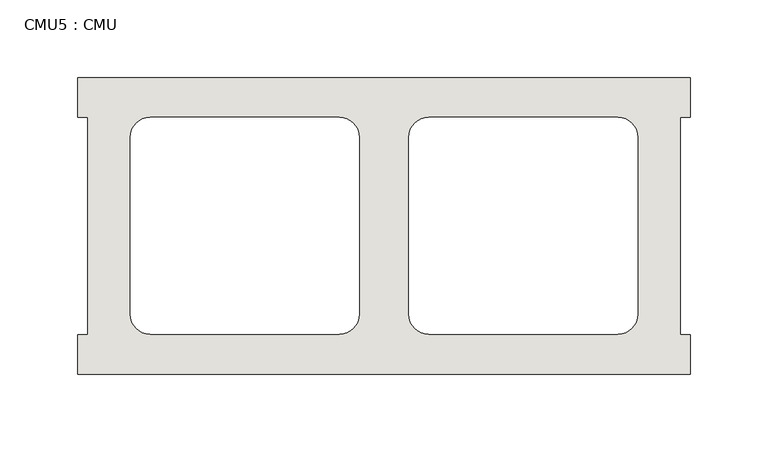
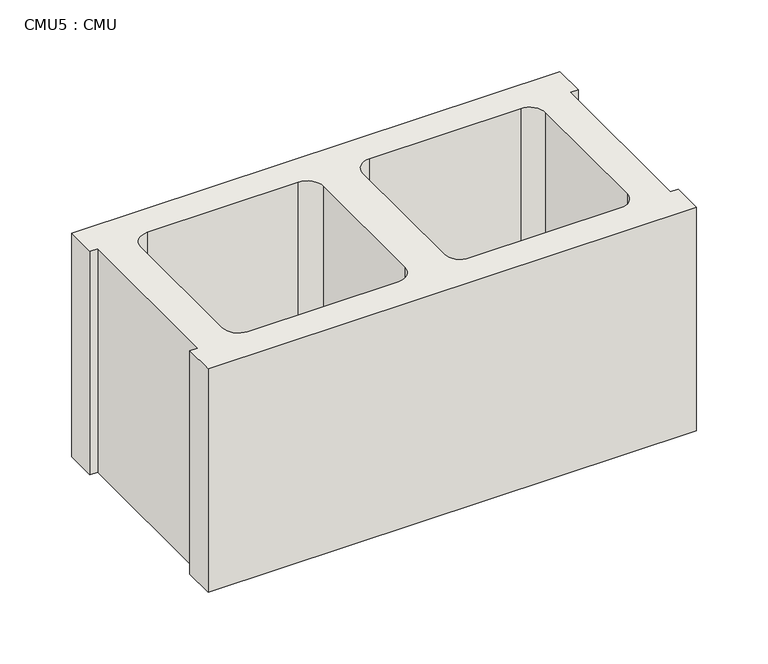
"""IFC4 building model written with IfcOpenShell, lengths in millimetres: wall geometry, CMU5 : CMU."""

import ifcopenshell
import ifcopenshell.guid

model = None  # the IFC model being written
_history = None  # IfcOwnerHistory: only IFC2X3 demands one
_inside = {}  # id of a spatial element -> (the spatial element, [elements in it])
_under = {}  # id of a project, library or spatial element -> (it, [spatial elements below it])
_declared = {}  # id of a project -> (the project, [libraries it declares])
_typed = {}  # id of a type object -> (the type object, [elements of that type])
_made_of = {}  # id of a material, layer set ... -> (it, [elements and type objects made of it])


def new_model(schema):
    """Start an empty IFC model of exactly this schema.

    Asked for "IFC4X3", IfcOpenShell would pick the latest addendum, in which some entities
    have other attributes; the version numbers below select the first issue.
    IFC2X3 requires an IfcOwnerHistory on every rooted entity: one is made here for all.
    """
    global model, _history
    if schema == "IFC4X3":
        model = ifcopenshell.file(schema_version=(4, 3, 0, 0))
    else:
        model = ifcopenshell.file(schema=schema)
    _inside.clear()
    _under.clear()
    _declared.clear()
    _typed.clear()
    _made_of.clear()
    _history = None
    if model.schema == "IFC2X3":
        org = make("IfcOrganization", Name="unknown")
        user = make(
            "IfcPersonAndOrganization",
            ThePerson=make("IfcPerson", FamilyName="unknown"),
            TheOrganization=org,
        )
        app = make(
            "IfcApplication",
            ApplicationDeveloper=org,
            Version="unknown",
            ApplicationFullName="unknown",
            ApplicationIdentifier="unknown",
        )
        _history = make(
            "IfcOwnerHistory",
            OwningUser=user,
            OwningApplication=app,
            ChangeAction="ADDED",
            CreationDate=0,
        )
    return model


def make(cls, **values):
    """One entity of the class cls with the attributes given. An attribute that is None is left unset."""
    return model.create_entity(
        cls, **{name: value for name, value in values.items() if value is not None}
    )


def rooted(cls, **values):
    """An entity with a GlobalId (a new one), such as an element, a storey or a relation."""
    return make(cls, GlobalId=ifcopenshell.guid.new(), OwnerHistory=_history, **values)


def si_unit(unit_type, name, prefix=None):
    """IfcSIUnit, for example si_unit("LENGTHUNIT", "METRE", prefix="MILLI")."""
    return make("IfcSIUnit", UnitType=unit_type, Prefix=prefix, Name=name)


def assignment(units):
    """IfcUnitAssignment: the units of a project."""
    return None if units is None else make("IfcUnitAssignment", Units=units)


def point(xyz):
    """IfcCartesianPoint."""
    return None if xyz is None else make("IfcCartesianPoint", Coordinates=xyz)


def direction(xyz):
    """IfcDirection."""
    return None if xyz is None else make("IfcDirection", DirectionRatios=xyz)


def frame(location, z_axis=None, x_axis=None):
    """IfcAxis2Placement3D, a coordinate frame: its origin and axes. An axis left out is left unset."""
    return make(
        "IfcAxis2Placement3D",
        Location=point(location),
        Axis=direction(z_axis),
        RefDirection=direction(x_axis),
    )


def frame_2d(location, x_axis=None):
    """IfcAxis2Placement2D, a coordinate frame in the plane: its origin and x axis."""
    return make(
        "IfcAxis2Placement2D", Location=point(location), RefDirection=direction(x_axis)
    )


def origin():
    """The frame at (0, 0, 0) with its axes left unset."""
    return frame((0.0, 0.0, 0.0))


def place(relative_to, where):
    """IfcLocalPlacement: puts the frame where relative to a parent placement (None: the world)."""
    return make(
        "IfcLocalPlacement", PlacementRelTo=relative_to, RelativePlacement=where
    )


def context(
    kind, dimensions, precision=None, world=None, true_north=None, identifier=None
):
    """IfcGeometricRepresentationContext, for example the 3D "Model" context."""
    return make(
        "IfcGeometricRepresentationContext",
        ContextIdentifier=identifier,
        ContextType=kind,
        CoordinateSpaceDimension=dimensions,
        Precision=precision,
        WorldCoordinateSystem=world,
        TrueNorth=true_north,
    )


def project(units=None, contexts=None):
    """IfcProject with its units and contexts."""
    return rooted(
        "IfcProject",
        Name="project",
        RepresentationContexts=contexts,
        UnitsInContext=assignment(units),
    )


def spatial(cls, under=None, at=None, **own):
    """A site, building, storey or space (cls), placed at a placement, below another one or the project."""
    s = rooted(cls, ObjectPlacement=at, **own)
    if under is not None:
        _under.setdefault(under.id(), (under, []))[1].append(s)
    return s


def polyline(points):
    """IfcPolyline through the points."""
    return make("IfcPolyline", Points=[point(p) for p in points])


def circle_curve(where, radius):
    """IfcCircle in the frame where."""
    return make("IfcCircle", Position=where, Radius=radius)


def trimmed(basis, trim1, trim2, sense, master):
    """IfcTrimmedCurve: the piece of a basis curve between two trims."""
    return make(
        "IfcTrimmedCurve",
        BasisCurve=basis,
        Trim1=trim1,
        Trim2=trim2,
        SenseAgreement=sense,
        MasterRepresentation=master,
    )


def segment(curve, same_sense, transition):
    """IfcCompositeCurveSegment."""
    return make(
        "IfcCompositeCurveSegment",
        Transition=transition,
        SameSense=same_sense,
        ParentCurve=curve,
    )


def composite_curve(segments, self_intersect=None):
    """IfcCompositeCurve: segments joined end to end."""
    return make("IfcCompositeCurve", Segments=segments, SelfIntersect=self_intersect)


def outline(outer, holes=None, kind="AREA"):
    """IfcArbitraryClosedProfileDef: a profile drawn as a closed curve; with holes, ...WithVoids."""
    if holes is None:
        return make("IfcArbitraryClosedProfileDef", ProfileType=kind, OuterCurve=outer)
    return make(
        "IfcArbitraryProfileDefWithVoids",
        ProfileType=kind,
        OuterCurve=outer,
        InnerCurves=holes,
    )


def extrude(swept, where, along, depth):
    """IfcExtrudedAreaSolid: the profile swept, set in the frame where, extruded along a direction by depth."""
    return make(
        "IfcExtrudedAreaSolid",
        SweptArea=swept,
        Position=where,
        ExtrudedDirection=direction(along),
        Depth=depth,
    )


def shape(context_of_items, identifier, shape_type, items):
    """IfcShapeRepresentation: the items that make up one representation, for example the "Body"."""
    return make(
        "IfcShapeRepresentation",
        ContextOfItems=context_of_items,
        RepresentationIdentifier=identifier,
        RepresentationType=shape_type,
        Items=items,
    )


def source(mapping_origin, context_of_items, identifier, shape_type, items):
    """IfcRepresentationMap: a shape defined once, which mapped items show again and again."""
    return make(
        "IfcRepresentationMap",
        MappingOrigin=mapping_origin,
        MappedRepresentation=shape(context_of_items, identifier, shape_type, items),
    )


def transform(
    local_origin,
    x_axis=None,
    y_axis=None,
    z_axis=None,
    scale=None,
    scale2=None,
    scale3=None,
    uniform=True,
):
    """IfcCartesianTransformationOperator3D, or its non-uniform kind. x_axis, y_axis, z_axis: its Axis1, 2, 3."""
    if uniform:
        return make(
            "IfcCartesianTransformationOperator3D",
            Axis1=direction(x_axis),
            Axis2=direction(y_axis),
            LocalOrigin=point(local_origin),
            Scale=scale,
            Axis3=direction(z_axis),
        )
    return make(
        "IfcCartesianTransformationOperator3DnonUniform",
        Axis1=direction(x_axis),
        Axis2=direction(y_axis),
        LocalOrigin=point(local_origin),
        Scale=scale,
        Axis3=direction(z_axis),
        Scale2=scale2,
        Scale3=scale3,
    )


def mapped(mapping_source, mapping_target):
    """IfcMappedItem: shows the shape of a source again, moved by a transform."""
    return make(
        "IfcMappedItem", MappingSource=mapping_source, MappingTarget=mapping_target
    )


def made_of(thing, what):
    """Note that an element or type object is made of a material, layer set ...; save() writes the relation."""
    if what is not None:
        _made_of.setdefault(what.id(), (what, []))[1].append(thing)
    return thing


def element(
    cls,
    number,
    at=None,
    inside=None,
    cuts=None,
    type_object=None,
    material=None,
    context=None,
    identifier="Body",
    shape_type=None,
    held_by="IfcProductDefinitionShape",
    body=None,
    shapes=None,
    **own,
):
    """One element of the class cls, such as IfcWall. Its Tag is "e" and its number.

    at: its placement. inside: the storey or other place that contains it. cuts: it is an
    opening in that element (IfcRelVoidsElement). A single representation is given by context,
    identifier, shape_type and body (its items); several are given by shapes. held_by: the class
    of the entity that holds the representations. save() writes the other relations.
    """
    e = rooted(cls, Tag="e%d" % number, ObjectPlacement=at, **own)
    if body is not None:
        shapes = [shape(context, identifier, shape_type, body)]
    if shapes is not None:
        e.Representation = make(held_by, Representations=shapes)
    if inside is not None:
        _inside.setdefault(inside.id(), (inside, []))[1].append(e)
    if cuts is not None:
        rooted(
            "IfcRelVoidsElement", RelatingBuildingElement=cuts, RelatedOpeningElement=e
        )
    if type_object is not None:
        _typed.setdefault(type_object.id(), (type_object, []))[1].append(e)
    return made_of(e, material)


def aggregate(whole, parts):
    """IfcRelAggregates: a whole, such as a stair, and the parts it consists of."""
    return rooted("IfcRelAggregates", RelatingObject=whole, RelatedObjects=parts)


def save(model, path):
    """Write the relations noted so far, then the file.

    IfcRelAggregates (storeys below a building ...), IfcRelContainedInSpatialStructure (elements
    in a storey), IfcRelDefinesByType, IfcRelAssociatesMaterial and IfcRelDeclares: one each for
    every whole, place, type object, material and project.
    """
    for whole, parts in _under.values():
        aggregate(whole, parts)
    for where, things in _inside.values():
        rooted(
            "IfcRelContainedInSpatialStructure",
            RelatedElements=things,
            RelatingStructure=where,
        )
    for kind, things in _typed.values():
        rooted("IfcRelDefinesByType", RelatedObjects=things, RelatingType=kind)
    for what, things in _made_of.values():
        rooted("IfcRelAssociatesMaterial", RelatedObjects=things, RelatingMaterial=what)
    for by, libraries in _declared.values():
        rooted("IfcRelDeclares", RelatingContext=by, RelatedDefinitions=libraries)
    model.write(path)


def cmu5_cmu_c2739caf(model_context):
    return source(origin(), model_context, "Body", "SweptSolid", [
        extrude(outline(polyline([(471.3602062, 2484.2276522), (865.0602062, 2484.2276522), (865.0602062, 2458.8276522), (858.7102062, 2458.8276522), (858.7102062, 2319.1276522), (865.0602062, 2319.1276522), (865.0602062, 2293.7276522), (471.3602062, 2293.7276522), (471.3602062, 2319.1276522), (477.7102062, 2319.1276522), (477.7102062, 2458.8276522), (471.3602062, 2458.8276522), (471.3602062, 2484.2276522)]), holes=[composite_curve([segment(polyline([(639.5282049, 2458.8276522), (517.8115548, 2458.8276522)]), True, "CONTINUOUS"), segment(trimmed(circle_curve(frame_2d((517.8115548, 2446.1276522)), 12.7), [point((517.8115548, 2458.8276522))], [point((505.1115548, 2446.1276522))], True, "CARTESIAN"), True, "CONTINUOUS"), segment(polyline([(505.1115548, 2446.1276522), (505.1115548, 2332.0618125)]), True, "CONTINUOUS"), segment(trimmed(circle_curve(frame_2d((517.8115548, 2332.0618125)), 12.7), [point((505.1115548, 2332.0618125))], [point((517.8115548, 2319.3618125))], True, "CARTESIAN"), True, "CONTINUOUS"), segment(polyline([(517.8115548, 2319.3618125), (639.5282049, 2319.3618125)]), True, "CONTINUOUS"), segment(trimmed(circle_curve(frame_2d((639.5282049, 2332.0618125)), 12.7), [point((639.5282049, 2319.3618125))], [point((652.2282049, 2332.0618125))], True, "CARTESIAN"), True, "CONTINUOUS"), segment(polyline([(652.2282049, 2332.0618125), (652.2282049, 2446.1276522)]), True, "CONTINUOUS"), segment(trimmed(circle_curve(frame_2d((639.5282049, 2446.1276522)), 12.7), [point((652.2282049, 2446.1276522))], [point((639.5282049, 2458.8276522))], True, "CARTESIAN"), True, "CONTINUOUS")], self_intersect=False), composite_curve([segment(trimmed(circle_curve(frame_2d((696.8922075, 2446.1276522)), 12.7), [point((696.8922075, 2458.8276522))], [point((684.1922075, 2446.1276522))], True, "CARTESIAN"), True, "CONTINUOUS"), segment(polyline([(684.1922075, 2446.1276522), (684.1922075, 2332.0618125)]), True, "CONTINUOUS"), segment(trimmed(circle_curve(frame_2d((696.8922075, 2332.0618125)), 12.7), [point((684.1922075, 2332.0618125))], [point((696.8922075, 2319.3618125))], True, "CARTESIAN"), True, "CONTINUOUS"), segment(polyline([(696.8922075, 2319.3618125), (818.6088576, 2319.3618125)]), True, "CONTINUOUS"), segment(trimmed(circle_curve(frame_2d((818.6088576, 2332.0618125)), 12.7), [point((818.6088576, 2319.3618125))], [point((831.3088576, 2332.0618125))], True, "CARTESIAN"), True, "CONTINUOUS"), segment(polyline([(831.3088576, 2332.0618125), (831.3088576, 2446.1276522)]), True, "CONTINUOUS"), segment(trimmed(circle_curve(frame_2d((818.6088576, 2446.1276522)), 12.7), [point((831.3088576, 2446.1276522))], [point((818.6088576, 2458.8276522))], True, "CARTESIAN"), True, "CONTINUOUS"), segment(polyline([(818.6088576, 2458.8276522), (696.8922075, 2458.8276522)]), True, "CONTINUOUS")], self_intersect=False)]), frame((0.0, 0.0, 520.7), z_axis=(0.0, 0.0, 1.0), x_axis=(1.0, 0.0, 0.0)), (0.0, 0.0, 1.0), 190.5),
    ])


if __name__ == "__main__":
    model = new_model("IFC4")
    model_context = context("Model", 3, world=origin())
    ifc_project = project(units=[si_unit("LENGTHUNIT", "METRE", prefix="MILLI")], contexts=[model_context])
    site = spatial("IfcSite", under=ifc_project)
    building = spatial("IfcBuilding", under=site)
    placement = place(None, origin())
    cmu5_cmu_shape = cmu5_cmu_c2739caf(model_context)
    element("IfcWall", 1, ObjectType="CMU5 : CMU", at=placement, inside=building, context=model_context, shape_type="MappedRepresentation", body=[
        mapped(cmu5_cmu_shape, transform((0.0, 0.0, 0.0), x_axis=(1.0, 0.0, 0.0), y_axis=(0.0, 1.0, 0.0), z_axis=(0.0, 0.0, 1.0))),
    ])
    save(model, "model.ifc")
